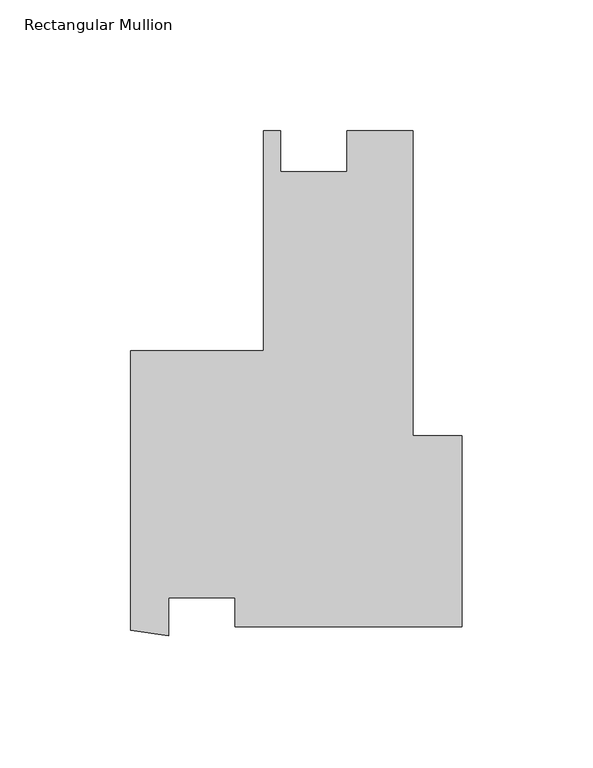
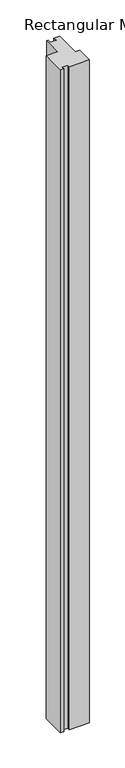
"""IFC4 building model written with IfcOpenShell, lengths in millimetres: member geometry, Rectangular Mullion."""

from ifc_helpers import new_model, si_unit, frame, origin, place, context, project, spatial, polyline, outline, extrude, source, transform, mapped, element, save


def rectangular_mullion_68353435(model_context):
    return source(origin(), model_context, "Body", "SweptSolid", [
        extrude(outline(polyline([(-126.7714, 34.6964), (-75.98786, 34.6964), (-75.98786, 118.84025), (-69.4114912, 118.84025), (-69.4114912, 103.2192501), (-44.0394225, 103.2192501), (-44.0394225, 118.8402501), (-18.8379629, 118.8402501), (-18.8379629, 2.159), (0.0, 2.159), (0.0, -70.8534111), (-86.7550407, -70.8534111), (-86.7550407, -59.7409111), (-112.3129274, -59.7409111), (-112.3129274, -74.2430258), (-126.7714, -72.1937934), (-126.7714, 34.6964)])), frame((0.0, 0.0, -3048.0), z_axis=(0.0, 0.0, 1.0), x_axis=(1.0, 0.0, 0.0)), (0.0, 0.0, 1.0), 3048.0),
    ])


if __name__ == "__main__":
    model = new_model("IFC4")
    model_context = context("Model", 3, world=origin())
    ifc_project = project(units=[si_unit("LENGTHUNIT", "METRE", prefix="MILLI")], contexts=[model_context])
    site = spatial("IfcSite", under=ifc_project)
    building = spatial("IfcBuilding", under=site)
    placement = place(None, origin())
    rectangular_mullion_shape = rectangular_mullion_68353435(model_context)
    element("IfcMember", 1, ObjectType="Rectangular Mullion", at=placement, inside=building, context=model_context, shape_type="MappedRepresentation", body=[
        mapped(rectangular_mullion_shape, transform((0.0, 0.0, 0.0), x_axis=(1.0, 0.0, 0.0), y_axis=(0.0, 1.0, 0.0), z_axis=(0.0, 0.0, 1.0))),
    ])
    save(model, "model.ifc")
